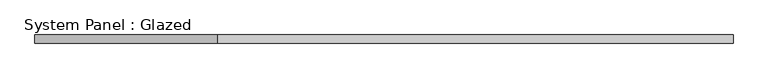
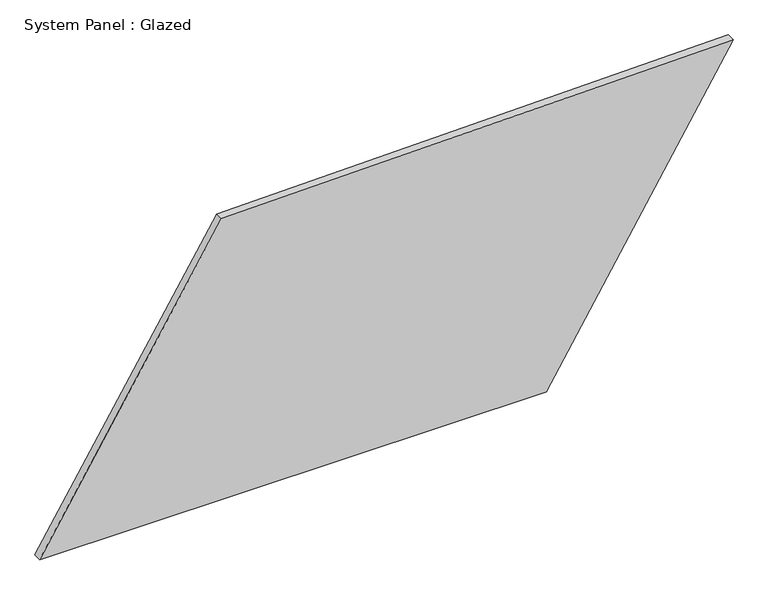
"""IFC4 building model written with IfcOpenShell, lengths in millimetres: plate geometry, System Panel : Glazed."""

from ifc_helpers import new_model, si_unit, frame, origin, place, context, project, spatial, polyline, outline, extrude, source, transform, mapped, element, save


def system_panel_glazed_99479e65(model_context):
    return source(origin(), model_context, "Body", "SweptSolid", [
        extrude(outline(polyline([(0.0, -1073.7702845), (0.0, 495.1825747), (952.3327513, 1073.7702845), (920.1260821, -510.7923024), (0.0, -1073.7702845)])), frame((0.0, -49.5, 0.0), z_axis=(0.0, 1.0, 0.0), x_axis=(0.0, 0.0, 1.0)), (0.0, 0.0, 1.0), 25.0),
    ])


if __name__ == "__main__":
    model = new_model("IFC4")
    model_context = context("Model", 3, world=origin())
    ifc_project = project(units=[si_unit("LENGTHUNIT", "METRE", prefix="MILLI")], contexts=[model_context])
    site = spatial("IfcSite", under=ifc_project)
    building = spatial("IfcBuilding", under=site)
    placement = place(None, origin())
    system_panel_glazed_shape = system_panel_glazed_99479e65(model_context)
    element("IfcPlate", 1, ObjectType="System Panel : Glazed", at=placement, inside=building, context=model_context, shape_type="MappedRepresentation", body=[
        mapped(system_panel_glazed_shape, transform((0.0, 0.0, 0.0), x_axis=(1.0, 0.0, 0.0), y_axis=(0.0, 1.0, 0.0), z_axis=(0.0, 0.0, 1.0))),
    ])
    save(model, "model.ifc")
